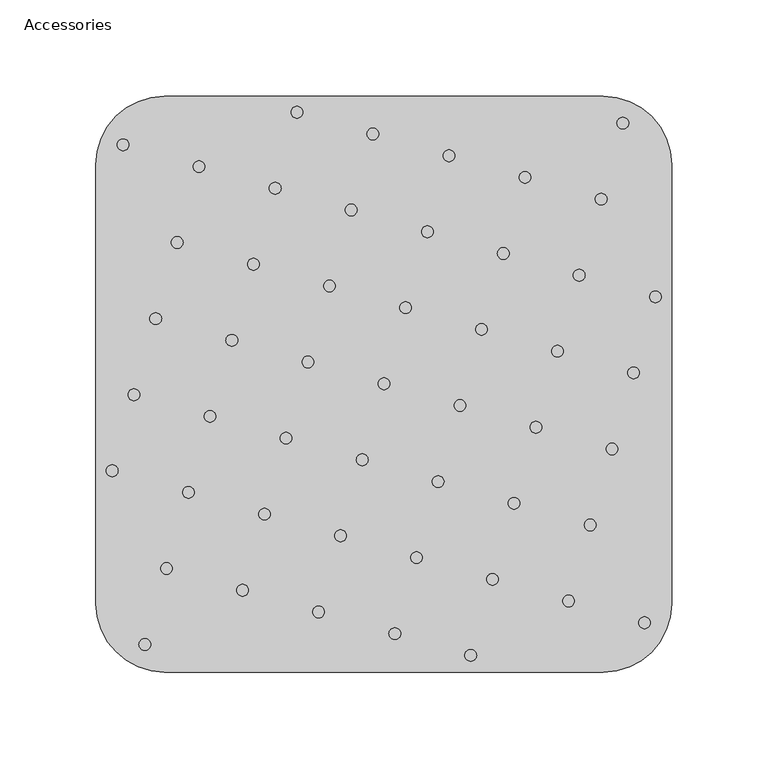
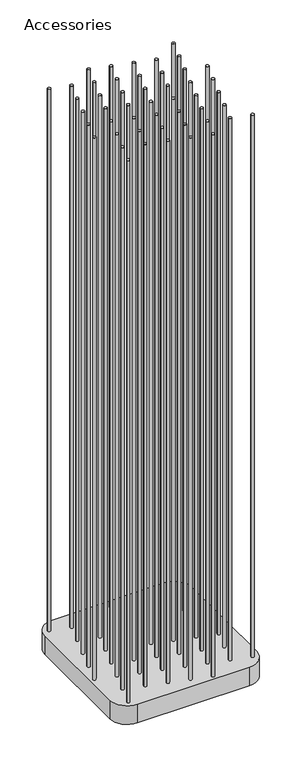
"""IFC4 building model written with IfcOpenShell, lengths in millimetres: furniture geometry, Accessories."""

import ifcopenshell
import ifcopenshell.guid

model = None  # the IFC model being written
_history = None  # IfcOwnerHistory: only IFC2X3 demands one
_inside = {}  # id of a spatial element -> (the spatial element, [elements in it])
_under = {}  # id of a project, library or spatial element -> (it, [spatial elements below it])
_declared = {}  # id of a project -> (the project, [libraries it declares])
_typed = {}  # id of a type object -> (the type object, [elements of that type])
_made_of = {}  # id of a material, layer set ... -> (it, [elements and type objects made of it])


def new_model(schema):
    """Start an empty IFC model of exactly this schema.

    Asked for "IFC4X3", IfcOpenShell would pick the latest addendum, in which some entities
    have other attributes; the version numbers below select the first issue.
    IFC2X3 requires an IfcOwnerHistory on every rooted entity: one is made here for all.
    """
    global model, _history
    if schema == "IFC4X3":
        model = ifcopenshell.file(schema_version=(4, 3, 0, 0))
    else:
        model = ifcopenshell.file(schema=schema)
    _inside.clear()
    _under.clear()
    _declared.clear()
    _typed.clear()
    _made_of.clear()
    _history = None
    if model.schema == "IFC2X3":
        org = make("IfcOrganization", Name="unknown")
        user = make(
            "IfcPersonAndOrganization",
            ThePerson=make("IfcPerson", FamilyName="unknown"),
            TheOrganization=org,
        )
        app = make(
            "IfcApplication",
            ApplicationDeveloper=org,
            Version="unknown",
            ApplicationFullName="unknown",
            ApplicationIdentifier="unknown",
        )
        _history = make(
            "IfcOwnerHistory",
            OwningUser=user,
            OwningApplication=app,
            ChangeAction="ADDED",
            CreationDate=0,
        )
    return model


def make(cls, **values):
    """One entity of the class cls with the attributes given. An attribute that is None is left unset."""
    return model.create_entity(
        cls, **{name: value for name, value in values.items() if value is not None}
    )


def rooted(cls, **values):
    """An entity with a GlobalId (a new one), such as an element, a storey or a relation."""
    return make(cls, GlobalId=ifcopenshell.guid.new(), OwnerHistory=_history, **values)


def si_unit(unit_type, name, prefix=None):
    """IfcSIUnit, for example si_unit("LENGTHUNIT", "METRE", prefix="MILLI")."""
    return make("IfcSIUnit", UnitType=unit_type, Prefix=prefix, Name=name)


def assignment(units):
    """IfcUnitAssignment: the units of a project."""
    return None if units is None else make("IfcUnitAssignment", Units=units)


def point(xyz):
    """IfcCartesianPoint."""
    return None if xyz is None else make("IfcCartesianPoint", Coordinates=xyz)


def direction(xyz):
    """IfcDirection."""
    return None if xyz is None else make("IfcDirection", DirectionRatios=xyz)


def frame(location, z_axis=None, x_axis=None):
    """IfcAxis2Placement3D, a coordinate frame: its origin and axes. An axis left out is left unset."""
    return make(
        "IfcAxis2Placement3D",
        Location=point(location),
        Axis=direction(z_axis),
        RefDirection=direction(x_axis),
    )


def frame_2d(location, x_axis=None):
    """IfcAxis2Placement2D, a coordinate frame in the plane: its origin and x axis."""
    return make(
        "IfcAxis2Placement2D", Location=point(location), RefDirection=direction(x_axis)
    )


def origin():
    """The frame at (0, 0, 0) with its axes left unset."""
    return frame((0.0, 0.0, 0.0))


def place(relative_to, where):
    """IfcLocalPlacement: puts the frame where relative to a parent placement (None: the world)."""
    return make(
        "IfcLocalPlacement", PlacementRelTo=relative_to, RelativePlacement=where
    )


def context(
    kind, dimensions, precision=None, world=None, true_north=None, identifier=None
):
    """IfcGeometricRepresentationContext, for example the 3D "Model" context."""
    return make(
        "IfcGeometricRepresentationContext",
        ContextIdentifier=identifier,
        ContextType=kind,
        CoordinateSpaceDimension=dimensions,
        Precision=precision,
        WorldCoordinateSystem=world,
        TrueNorth=true_north,
    )


def project(units=None, contexts=None):
    """IfcProject with its units and contexts."""
    return rooted(
        "IfcProject",
        Name="project",
        RepresentationContexts=contexts,
        UnitsInContext=assignment(units),
    )


def spatial(cls, under=None, at=None, **own):
    """A site, building, storey or space (cls), placed at a placement, below another one or the project."""
    s = rooted(cls, ObjectPlacement=at, **own)
    if under is not None:
        _under.setdefault(under.id(), (under, []))[1].append(s)
    return s


def polyline(points):
    """IfcPolyline through the points."""
    return make("IfcPolyline", Points=[point(p) for p in points])


def circle_curve(where, radius):
    """IfcCircle in the frame where."""
    return make("IfcCircle", Position=where, Radius=radius)


def ellipse_curve(where, semi_axis1, semi_axis2):
    """IfcEllipse in the frame where."""
    return make(
        "IfcEllipse", Position=where, SemiAxis1=semi_axis1, SemiAxis2=semi_axis2
    )


def trimmed(basis, trim1, trim2, sense, master):
    """IfcTrimmedCurve: the piece of a basis curve between two trims."""
    return make(
        "IfcTrimmedCurve",
        BasisCurve=basis,
        Trim1=trim1,
        Trim2=trim2,
        SenseAgreement=sense,
        MasterRepresentation=master,
    )


def segment(curve, same_sense, transition):
    """IfcCompositeCurveSegment."""
    return make(
        "IfcCompositeCurveSegment",
        Transition=transition,
        SameSense=same_sense,
        ParentCurve=curve,
    )


def composite_curve(segments, self_intersect=None):
    """IfcCompositeCurve: segments joined end to end."""
    return make("IfcCompositeCurve", Segments=segments, SelfIntersect=self_intersect)


def outline(outer, holes=None, kind="AREA"):
    """IfcArbitraryClosedProfileDef: a profile drawn as a closed curve; with holes, ...WithVoids."""
    if holes is None:
        return make("IfcArbitraryClosedProfileDef", ProfileType=kind, OuterCurve=outer)
    return make(
        "IfcArbitraryProfileDefWithVoids",
        ProfileType=kind,
        OuterCurve=outer,
        InnerCurves=holes,
    )


def extrude(swept, where, along, depth):
    """IfcExtrudedAreaSolid: the profile swept, set in the frame where, extruded along a direction by depth."""
    return make(
        "IfcExtrudedAreaSolid",
        SweptArea=swept,
        Position=where,
        ExtrudedDirection=direction(along),
        Depth=depth,
    )


def shape(context_of_items, identifier, shape_type, items):
    """IfcShapeRepresentation: the items that make up one representation, for example the "Body"."""
    return make(
        "IfcShapeRepresentation",
        ContextOfItems=context_of_items,
        RepresentationIdentifier=identifier,
        RepresentationType=shape_type,
        Items=items,
    )


def source(mapping_origin, context_of_items, identifier, shape_type, items):
    """IfcRepresentationMap: a shape defined once, which mapped items show again and again."""
    return make(
        "IfcRepresentationMap",
        MappingOrigin=mapping_origin,
        MappedRepresentation=shape(context_of_items, identifier, shape_type, items),
    )


def transform(
    local_origin,
    x_axis=None,
    y_axis=None,
    z_axis=None,
    scale=None,
    scale2=None,
    scale3=None,
    uniform=True,
):
    """IfcCartesianTransformationOperator3D, or its non-uniform kind. x_axis, y_axis, z_axis: its Axis1, 2, 3."""
    if uniform:
        return make(
            "IfcCartesianTransformationOperator3D",
            Axis1=direction(x_axis),
            Axis2=direction(y_axis),
            LocalOrigin=point(local_origin),
            Scale=scale,
            Axis3=direction(z_axis),
        )
    return make(
        "IfcCartesianTransformationOperator3DnonUniform",
        Axis1=direction(x_axis),
        Axis2=direction(y_axis),
        LocalOrigin=point(local_origin),
        Scale=scale,
        Axis3=direction(z_axis),
        Scale2=scale2,
        Scale3=scale3,
    )


def mapped(mapping_source, mapping_target):
    """IfcMappedItem: shows the shape of a source again, moved by a transform."""
    return make(
        "IfcMappedItem", MappingSource=mapping_source, MappingTarget=mapping_target
    )


def made_of(thing, what):
    """Note that an element or type object is made of a material, layer set ...; save() writes the relation."""
    if what is not None:
        _made_of.setdefault(what.id(), (what, []))[1].append(thing)
    return thing


def element(
    cls,
    number,
    at=None,
    inside=None,
    cuts=None,
    type_object=None,
    material=None,
    context=None,
    identifier="Body",
    shape_type=None,
    held_by="IfcProductDefinitionShape",
    body=None,
    shapes=None,
    **own,
):
    """One element of the class cls, such as IfcWall. Its Tag is "e" and its number.

    at: its placement. inside: the storey or other place that contains it. cuts: it is an
    opening in that element (IfcRelVoidsElement). A single representation is given by context,
    identifier, shape_type and body (its items); several are given by shapes. held_by: the class
    of the entity that holds the representations. save() writes the other relations.
    """
    e = rooted(cls, Tag="e%d" % number, ObjectPlacement=at, **own)
    if body is not None:
        shapes = [shape(context, identifier, shape_type, body)]
    if shapes is not None:
        e.Representation = make(held_by, Representations=shapes)
    if inside is not None:
        _inside.setdefault(inside.id(), (inside, []))[1].append(e)
    if cuts is not None:
        rooted(
            "IfcRelVoidsElement", RelatingBuildingElement=cuts, RelatedOpeningElement=e
        )
    if type_object is not None:
        _typed.setdefault(type_object.id(), (type_object, []))[1].append(e)
    return made_of(e, material)


def aggregate(whole, parts):
    """IfcRelAggregates: a whole, such as a stair, and the parts it consists of."""
    return rooted("IfcRelAggregates", RelatingObject=whole, RelatedObjects=parts)


def save(model, path):
    """Write the relations noted so far, then the file.

    IfcRelAggregates (storeys below a building ...), IfcRelContainedInSpatialStructure (elements
    in a storey), IfcRelDefinesByType, IfcRelAssociatesMaterial and IfcRelDeclares: one each for
    every whole, place, type object, material and project.
    """
    for whole, parts in _under.values():
        aggregate(whole, parts)
    for where, things in _inside.values():
        rooted(
            "IfcRelContainedInSpatialStructure",
            RelatedElements=things,
            RelatingStructure=where,
        )
    for kind, things in _typed.values():
        rooted("IfcRelDefinesByType", RelatedObjects=things, RelatingType=kind)
    for what, things in _made_of.values():
        rooted("IfcRelAssociatesMaterial", RelatedObjects=things, RelatingMaterial=what)
    for by, libraries in _declared.values():
        rooted("IfcRelDeclares", RelatingContext=by, RelatedDefinitions=libraries)
    model.write(path)


def plane_surface(at):
    """IfcPlane: the flat surface through the origin of the frame at, square to its z axis."""
    return make("IfcPlane", Position=at)


def cylinder_surface(at, radius):
    """IfcCylindricalSurface: all points at the distance radius from the z axis of the frame at."""
    return make("IfcCylindricalSurface", Position=at, Radius=radius)


def revolved_surface(curve, axis_point, axis_direction):
    """IfcSurfaceOfRevolution: the curve turned about the line through axis_point along axis_direction."""
    return make(
        "IfcSurfaceOfRevolution",
        SweptCurve=make("IfcArbitraryOpenProfileDef", ProfileType="CURVE", Curve=curve),
        AxisPosition=make("IfcAxis1Placement", Location=point(axis_point), Axis=direction(axis_direction)),
    )


def advanced_brep(points, edges, surfaces, faces):
    """IfcAdvancedBrep: a solid bounded by faces that lie on surfaces and meet in shared edges.

    An edge is (start, end): straight between two places in points (the first is 0);
    or (start, end, curve); or (start, end, curve, False) where it runs against its curve.
    A face is (place in surfaces, loops), or (place, loops, False) where it looks against
    its surface's normal. A loop lists edges by number (the first is 1), with a minus sign
    where the edge is run from its end to its start. The first loop is the outer one.
    """
    corners = [point(p) for p in points]
    vertices = [make("IfcVertexPoint", VertexGeometry=c) for c in corners]
    made = []
    for start, end, *more in edges:
        made.append(
            make(
                "IfcEdgeCurve",
                EdgeStart=vertices[start],
                EdgeEnd=vertices[end],
                EdgeGeometry=more[0] if more else make("IfcPolyline", Points=[corners[start], corners[end]]),
                SameSense=more[1] if len(more) > 1 else True,
            )
        )
    hull = []
    for where, loops, *sense in faces:
        bounds = []
        for j, loop in enumerate(loops):
            ring = [make("IfcOrientedEdge", EdgeElement=made[abs(k) - 1], Orientation=k > 0) for k in loop]
            bounds.append(
                make(
                    "IfcFaceOuterBound" if j == 0 else "IfcFaceBound",
                    Bound=make("IfcEdgeLoop", EdgeList=ring),
                    Orientation=True,
                )
            )
        hull.append(make("IfcAdvancedFace", Bounds=bounds, FaceSurface=surfaces[where], SameSense=sense[0] if sense else True))
    return make("IfcAdvancedBrep", Outer=make("IfcClosedShell", CfsFaces=hull))


def accessories_a6ce047a(model_context):
    return source(origin(), model_context, "Body", "SolidModel", [
        advanced_brep(
        [(-251.0769343, 235.804948, 0.0), (-251.0769343, 240.1060935, 0.0), (-251.0769343, 231.5038025, 0.0), (-251.0769343, 227.0549403, 9.599968), (-251.0769343, 244.5549556, 9.599968), (-251.0769343, 235.804948, 9.599968), (-251.0769343, 227.0549403, 4.4999604), (-251.0769343, 244.5549556, 4.4999604)],
        [
            (0, 1),
            (1, 2, circle_curve(frame((-251.0769343, 235.804948, 0.0), z_axis=(0.0, 0.0, -1.0), x_axis=(0.0, 1.0, 0.0)), 4.3011455)),
            (2, 0),
            (2, 1, circle_curve(frame((-251.0769343, 235.804948, 0.0), z_axis=(0.0, 0.0, -1.0), x_axis=(0.0, 1.0, 0.0)), 4.3011455)),
            (3, 4, circle_curve(frame((-251.0769343, 235.804948, 9.599968), z_axis=(0.0, 0.0, 1.0), x_axis=(0.0, 1.0, 0.0)), 8.7500076)),
            (4, 5),
            (5, 3),
            (4, 3, circle_curve(frame((-251.0769343, 235.804948, 9.599968), z_axis=(0.0, 0.0, 1.0), x_axis=(0.0, 1.0, 0.0)), 8.7500076)),
            (6, 7, circle_curve(frame((-251.0769343, 235.804948, 4.4999604), z_axis=(0.0, 0.0, 1.0), x_axis=(0.0, 1.0, 0.0)), 8.7500076)),
            (7, 4),
            (3, 6),
            (7, 6, circle_curve(frame((-251.0769343, 235.804948, 4.4999604), z_axis=(0.0, 0.0, 1.0), x_axis=(0.0, 1.0, 0.0)), 8.7500076)),
            (1, 7, circle_curve(frame((-251.0769343, 240.0547017, 4.4999604), z_axis=(1.0, 0.0, 0.0), x_axis=(0.0, -1.0, 0.0)), 4.5002539)),
            (6, 2, circle_curve(frame((-251.0769343, 231.5551942, 4.4999604), z_axis=(1.0, 0.0, 0.0), x_axis=(0.0, 1.0, 0.0)), 4.5002539)),
        ],
        [
            plane_surface(frame((-251.0769343, 235.804948, 0.0), z_axis=(0.0, 0.0, -1.0), x_axis=(0.0, 1.0, 0.0))),
            plane_surface(frame((-251.0769343, 235.804948, 9.599968), z_axis=(0.0, 0.0, 1.0), x_axis=(0.0, 1.0, 0.0))),
            cylinder_surface(frame((-251.0769343, 235.804948, -5.7265764), z_axis=(0.0, 0.0, -1.0), x_axis=(0.0, 1.0, 0.0)), 8.7500076),
            revolved_surface(trimmed(ellipse_curve(frame((-251.0769343, 240.0547017, 4.4999604), z_axis=(-1.0, 0.0, 0.0), x_axis=(0.0, -1.0, 0.0)), 4.5002539, 4.5002539), [point((-251.0769343, 244.5549556, 4.4999604))], [point((-251.0769343, 240.1060935, 0.0))], True, "CARTESIAN"), (-251.0769343, 235.804948, -5.7265764), (0.0, 0.0, -1.0)),
        ],
        [
            (0, [[1, 2, 3]]),
            (0, [[-3, 4, -1]]),
            (1, [[5, 6, 7]]),
            (1, [[8, -7, -6]]),
            (2, [[9, 10, -5, 11]]),
            (2, [[12, -11, -8, -10]]),
            (3, [[-2, 13, -9, 14]]),
            (3, [[-4, -14, -12, -13]]),
        ],
    ),
        advanced_brep(
        [(-471.1908823, 231.5038025, 0.0), (-471.1908823, 240.1060935, 0.0), (-471.1908823, 235.804948, 0.0), (-471.1908823, 235.804948, 9.599968), (-471.1908823, 244.5549556, 9.599968), (-471.1908823, 227.0549403, 9.599968), (-471.1908823, 244.5549556, 4.4999604), (-471.1908823, 227.0549403, 4.4999604)],
        [
            (0, 1, circle_curve(frame((-471.1908823, 235.804948, 0.0), z_axis=(0.0, 0.0, -1.0), x_axis=(0.0, 1.0, 0.0)), 4.3011455)),
            (1, 2),
            (2, 0),
            (1, 0, circle_curve(frame((-471.1908823, 235.804948, 0.0), z_axis=(0.0, 0.0, -1.0), x_axis=(0.0, 1.0, 0.0)), 4.3011455)),
            (3, 4),
            (4, 5, circle_curve(frame((-471.1908823, 235.804948, 9.599968), z_axis=(0.0, 0.0, 1.0), x_axis=(0.0, 1.0, 0.0)), 8.7500076)),
            (5, 3),
            (5, 4, circle_curve(frame((-471.1908823, 235.804948, 9.599968), z_axis=(0.0, 0.0, 1.0), x_axis=(0.0, 1.0, 0.0)), 8.7500076)),
            (4, 6),
            (6, 7, circle_curve(frame((-471.1908823, 235.804948, 4.4999604), z_axis=(0.0, 0.0, 1.0), x_axis=(0.0, 1.0, 0.0)), 8.7500076)),
            (7, 5),
            (7, 6, circle_curve(frame((-471.1908823, 235.804948, 4.4999604), z_axis=(0.0, 0.0, 1.0), x_axis=(0.0, 1.0, 0.0)), 8.7500076)),
            (6, 1, circle_curve(frame((-471.1908823, 240.0547017, 4.4999604), z_axis=(-1.0, 0.0, 0.0), x_axis=(0.0, -1.0, 0.0)), 4.5002539)),
            (0, 7, circle_curve(frame((-471.1908823, 231.5551942, 4.4999604), z_axis=(-1.0, 0.0, 0.0), x_axis=(0.0, 1.0, 0.0)), 4.5002539)),
        ],
        [
            plane_surface(frame((-471.1908823, 235.804948, 0.0), z_axis=(0.0, 0.0, -1.0), x_axis=(0.0, 1.0, 0.0))),
            plane_surface(frame((-471.1908823, 235.804948, 9.599968), z_axis=(0.0, 0.0, 1.0), x_axis=(0.0, 1.0, 0.0))),
            cylinder_surface(frame((-471.1908823, 235.804948, -5.7265764), z_axis=(0.0, 0.0, 1.0), x_axis=(0.0, 1.0, 0.0)), 8.7500076),
            revolved_surface(trimmed(ellipse_curve(frame((-471.1908823, 240.0547017, 4.4999604), z_axis=(1.0, 0.0, 0.0), x_axis=(0.0, -1.0, 0.0)), 4.5002539, 4.5002539), [point((-471.1908823, 240.1060935, 0.0))], [point((-471.1908823, 244.5549556, 4.4999604))], True, "CARTESIAN"), (-471.1908823, 235.804948, -5.7265764), (0.0, 0.0, 1.0)),
        ],
        [
            (0, [[1, 2, 3]]),
            (0, [[4, -3, -2]]),
            (1, [[5, 6, 7]]),
            (1, [[-7, 8, -5]]),
            (2, [[-6, 9, 10, 11]]),
            (2, [[-8, -11, 12, -9]]),
            (3, [[-10, 13, -1, 14]]),
            (3, [[-12, -14, -4, -13]]),
        ],
    ),
        advanced_brep(
        [(-251.0769343, 460.0800172, 0.0), (-251.0769343, 451.4777262, 0.0), (-251.0769343, 455.7788717, 0.0), (-251.0769343, 455.7788717, 9.599968), (-251.0769343, 447.028864, 9.599968), (-251.0769343, 464.5288793, 9.599968), (-251.0769343, 447.028864, 4.4999604), (-251.0769343, 464.5288793, 4.4999604)],
        [
            (0, 1, circle_curve(frame((-251.0769343, 455.7788717, 0.0), z_axis=(0.0, 0.0, -1.0), x_axis=(0.0, -1.0, 0.0)), 4.3011455)),
            (1, 2),
            (2, 0),
            (1, 0, circle_curve(frame((-251.0769343, 455.7788717, 0.0), z_axis=(0.0, 0.0, -1.0), x_axis=(0.0, -1.0, 0.0)), 4.3011455)),
            (3, 4),
            (4, 5, circle_curve(frame((-251.0769343, 455.7788717, 9.599968), z_axis=(0.0, 0.0, 1.0), x_axis=(0.0, -1.0, 0.0)), 8.7500076)),
            (5, 3),
            (5, 4, circle_curve(frame((-251.0769343, 455.7788717, 9.599968), z_axis=(0.0, 0.0, 1.0), x_axis=(0.0, -1.0, 0.0)), 8.7500076)),
            (4, 6),
            (6, 7, circle_curve(frame((-251.0769343, 455.7788717, 4.4999604), z_axis=(0.0, 0.0, 1.0), x_axis=(0.0, -1.0, 0.0)), 8.7500076)),
            (7, 5),
            (7, 6, circle_curve(frame((-251.0769343, 455.7788717, 4.4999604), z_axis=(0.0, 0.0, 1.0), x_axis=(0.0, -1.0, 0.0)), 8.7500076)),
            (6, 1, circle_curve(frame((-251.0769343, 451.5291179, 4.4999604), z_axis=(1.0, 0.0, 0.0), x_axis=(0.0, 1.0, 0.0)), 4.5002539)),
            (0, 7, circle_curve(frame((-251.0769343, 460.0286254, 4.4999604), z_axis=(1.0, 0.0, 0.0), x_axis=(0.0, -1.0, 0.0)), 4.5002539)),
        ],
        [
            plane_surface(frame((-251.0769343, 455.7788717, 0.0), z_axis=(0.0, 0.0, -1.0), x_axis=(0.0, -1.0, 0.0))),
            plane_surface(frame((-251.0769343, 455.7788717, 9.599968), z_axis=(0.0, 0.0, 1.0), x_axis=(0.0, -1.0, 0.0))),
            cylinder_surface(frame((-251.0769343, 455.7788717, -5.7265764), z_axis=(0.0, 0.0, 1.0), x_axis=(0.0, -1.0, 0.0)), 8.7500076),
            revolved_surface(trimmed(ellipse_curve(frame((-251.0769343, 451.5291179, 4.4999604), z_axis=(-1.0, 0.0, 0.0), x_axis=(0.0, 1.0, 0.0)), 4.5002539, 4.5002539), [point((-251.0769343, 451.4777262, 0.0))], [point((-251.0769343, 447.028864, 4.4999604))], True, "CARTESIAN"), (-251.0769343, 455.7788717, -5.7265764), (0.0, 0.0, 1.0)),
        ],
        [
            (0, [[1, 2, 3]]),
            (0, [[4, -3, -2]]),
            (1, [[5, 6, 7]]),
            (1, [[-7, 8, -5]]),
            (2, [[-6, 9, 10, 11]]),
            (2, [[-8, -11, 12, -9]]),
            (3, [[-10, 13, -1, 14]]),
            (3, [[-12, -14, -4, -13]]),
        ],
    ),
        advanced_brep(
        [(-471.1908823, 455.7788717, 0.0), (-471.1908823, 451.4777262, 0.0), (-471.1908823, 460.0800172, 0.0), (-471.1908823, 464.5288793, 9.599968), (-471.1908823, 447.028864, 9.599968), (-471.1908823, 455.7788717, 9.599968), (-471.1908823, 464.5288793, 4.4999604), (-471.1908823, 447.028864, 4.4999604)],
        [
            (0, 1),
            (1, 2, circle_curve(frame((-471.1908823, 455.7788717, 0.0), z_axis=(0.0, 0.0, -1.0), x_axis=(0.0, -1.0, 0.0)), 4.3011455)),
            (2, 0),
            (2, 1, circle_curve(frame((-471.1908823, 455.7788717, 0.0), z_axis=(0.0, 0.0, -1.0), x_axis=(0.0, -1.0, 0.0)), 4.3011455)),
            (3, 4, circle_curve(frame((-471.1908823, 455.7788717, 9.599968), z_axis=(0.0, 0.0, 1.0), x_axis=(0.0, -1.0, 0.0)), 8.7500076)),
            (4, 5),
            (5, 3),
            (4, 3, circle_curve(frame((-471.1908823, 455.7788717, 9.599968), z_axis=(0.0, 0.0, 1.0), x_axis=(0.0, -1.0, 0.0)), 8.7500076)),
            (6, 7, circle_curve(frame((-471.1908823, 455.7788717, 4.4999604), z_axis=(0.0, 0.0, 1.0), x_axis=(0.0, -1.0, 0.0)), 8.7500076)),
            (7, 4),
            (3, 6),
            (7, 6, circle_curve(frame((-471.1908823, 455.7788717, 4.4999604), z_axis=(0.0, 0.0, 1.0), x_axis=(0.0, -1.0, 0.0)), 8.7500076)),
            (1, 7, circle_curve(frame((-471.1908823, 451.5291179, 4.4999604), z_axis=(-1.0, 0.0, 0.0), x_axis=(0.0, 1.0, 0.0)), 4.5002539)),
            (6, 2, circle_curve(frame((-471.1908823, 460.0286254, 4.4999604), z_axis=(-1.0, 0.0, 0.0), x_axis=(0.0, -1.0, 0.0)), 4.5002539)),
        ],
        [
            plane_surface(frame((-471.1908823, 455.7788717, 0.0), z_axis=(0.0, 0.0, -1.0), x_axis=(0.0, -1.0, 0.0))),
            plane_surface(frame((-471.1908823, 455.7788717, 9.599968), z_axis=(0.0, 0.0, 1.0), x_axis=(0.0, -1.0, 0.0))),
            cylinder_surface(frame((-471.1908823, 455.7788717, -5.7265764), z_axis=(0.0, 0.0, -1.0), x_axis=(0.0, -1.0, 0.0)), 8.7500076),
            revolved_surface(trimmed(ellipse_curve(frame((-471.1908823, 451.5291179, 4.4999604), z_axis=(1.0, 0.0, 0.0), x_axis=(0.0, 1.0, 0.0)), 4.5002539, 4.5002539), [point((-471.1908823, 447.028864, 4.4999604))], [point((-471.1908823, 451.4777262, 0.0))], True, "CARTESIAN"), (-471.1908823, 455.7788717, -5.7265764), (0.0, 0.0, -1.0)),
        ],
        [
            (0, [[1, 2, 3]]),
            (0, [[-3, 4, -1]]),
            (1, [[5, 6, 7]]),
            (1, [[8, -7, -6]]),
            (2, [[9, 10, -5, 11]]),
            (2, [[12, -11, -8, -10]]),
            (3, [[-2, 13, -9, 14]]),
            (3, [[-4, -14, -12, -13]]),
        ],
    ),
        extrude(outline(composite_curve([segment(trimmed(circle_curve(frame_2d((-406.4169071, 487.2878532)), 3.049989), [point((-409.4668961, 487.2878532))], [point((-403.3669181, 487.2878532))], False, "CARTESIAN"), True, "CONTINUOUS"), segment(trimmed(circle_curve(frame_2d((-406.4169071, 487.2878532)), 3.049989), [point((-403.3669181, 487.2878532))], [point((-409.4668961, 487.2878532))], False, "CARTESIAN"), True, "CONTINUOUS")], self_intersect=False)), frame((0.0, 0.0, 49.5999832), z_axis=(0.0, 0.0, 1.0), x_axis=(1.0, 0.0, 0.0)), (0.0, 0.0, 1.0), 1170.0004807),
        extrude(outline(composite_curve([segment(trimmed(circle_curve(frame_2d((-366.8609626, 475.9453686)), 3.049989), [point((-369.9109516, 475.9453686))], [point((-363.8109736, 475.9453686))], False, "CARTESIAN"), True, "CONTINUOUS"), segment(trimmed(circle_curve(frame_2d((-366.8609626, 475.9453686)), 3.049989), [point((-363.8109736, 475.9453686))], [point((-369.9109516, 475.9453686))], False, "CARTESIAN"), True, "CONTINUOUS")], self_intersect=False)), frame((0.0, 0.0, 49.5999832), z_axis=(0.0, 0.0, 1.0), x_axis=(1.0, 0.0, 0.0)), (0.0, 0.0, 1.0), 1170.0004807),
        extrude(outline(composite_curve([segment(trimmed(circle_curve(frame_2d((-327.1716433, 464.646386)), 3.049989), [point((-330.2216323, 464.646386))], [point((-324.1216542, 464.646386))], False, "CARTESIAN"), True, "CONTINUOUS"), segment(trimmed(circle_curve(frame_2d((-327.1716433, 464.646386)), 3.049989), [point((-324.1216542, 464.646386))], [point((-330.2216323, 464.646386))], False, "CARTESIAN"), True, "CONTINUOUS")], self_intersect=False)), frame((0.0, 0.0, 49.5999832), z_axis=(0.0, 0.0, 1.0), x_axis=(1.0, 0.0, 0.0)), (0.0, 0.0, 1.0), 1170.0004807),
        extrude(outline(composite_curve([segment(trimmed(circle_curve(frame_2d((-236.6056032, 481.6275261)), 3.049989), [point((-239.6555922, 481.6275261))], [point((-233.5556142, 481.6275261))], False, "CARTESIAN"), True, "CONTINUOUS"), segment(trimmed(circle_curve(frame_2d((-236.6056032, 481.6275261)), 3.049989), [point((-233.5556142, 481.6275261))], [point((-239.6555922, 481.6275261))], False, "CARTESIAN"), True, "CONTINUOUS")], self_intersect=False)), frame((0.0, 0.0, 49.5999832), z_axis=(0.0, 0.0, 1.0), x_axis=(1.0, 0.0, 0.0)), (0.0, 0.0, 1.0), 1170.0004807),
        extrude(outline(composite_curve([segment(trimmed(circle_curve(frame_2d((-287.5490177, 453.325634)), 3.049989), [point((-290.5990067, 453.325634))], [point((-284.4990287, 453.325634))], False, "CARTESIAN"), True, "CONTINUOUS"), segment(trimmed(circle_curve(frame_2d((-287.5490177, 453.325634)), 3.049989), [point((-284.4990287, 453.325634))], [point((-290.5990067, 453.325634))], False, "CARTESIAN"), True, "CONTINUOUS")], self_intersect=False)), frame((0.0, 0.0, 49.5999832), z_axis=(0.0, 0.0, 1.0), x_axis=(1.0, 0.0, 0.0)), (0.0, 0.0, 1.0), 1170.0004807),
        extrude(outline(composite_curve([segment(trimmed(circle_curve(frame_2d((-247.8596983, 442.0266513)), 3.049989), [point((-250.9096874, 442.0266513))], [point((-244.8097093, 442.0266513))], False, "CARTESIAN"), True, "CONTINUOUS"), segment(trimmed(circle_curve(frame_2d((-247.8596983, 442.0266513)), 3.049989), [point((-244.8097093, 442.0266513))], [point((-250.9096874, 442.0266513))], False, "CARTESIAN"), True, "CONTINUOUS")], self_intersect=False)), frame((0.0, 0.0, 49.5999832), z_axis=(0.0, 0.0, 1.0), x_axis=(1.0, 0.0, 0.0)), (0.0, 0.0, 1.0), 1170.0004807),
        extrude(outline(composite_curve([segment(trimmed(circle_curve(frame_2d((-496.9828767, 470.3066945)), 3.049989), [point((-500.0328657, 470.3066945))], [point((-493.9328876, 470.3066945))], False, "CARTESIAN"), True, "CONTINUOUS"), segment(trimmed(circle_curve(frame_2d((-496.9828767, 470.3066945)), 3.049989), [point((-493.9328876, 470.3066945))], [point((-500.0328657, 470.3066945))], False, "CARTESIAN"), True, "CONTINUOUS")], self_intersect=False)), frame((0.0, 0.0, 49.5999832), z_axis=(0.0, 0.0, 1.0), x_axis=(1.0, 0.0, 0.0)), (0.0, 0.0, 1.0), 1170.0004807),
        extrude(outline(composite_curve([segment(trimmed(circle_curve(frame_2d((-457.4269322, 458.96421)), 3.049989), [point((-460.4769212, 458.96421))], [point((-454.3769432, 458.96421))], False, "CARTESIAN"), True, "CONTINUOUS"), segment(trimmed(circle_curve(frame_2d((-457.4269322, 458.96421)), 3.049989), [point((-454.3769432, 458.96421))], [point((-460.4769212, 458.96421))], False, "CARTESIAN"), True, "CONTINUOUS")], self_intersect=False)), frame((0.0, 0.0, 49.5999832), z_axis=(0.0, 0.0, 1.0), x_axis=(1.0, 0.0, 0.0)), (0.0, 0.0, 1.0), 1170.0004807),
        extrude(outline(composite_curve([segment(trimmed(circle_curve(frame_2d((-417.7376128, 447.6652273)), 3.049989), [point((-420.7876019, 447.6652273))], [point((-414.6876238, 447.6652273))], False, "CARTESIAN"), True, "CONTINUOUS"), segment(trimmed(circle_curve(frame_2d((-417.7376128, 447.6652273)), 3.049989), [point((-414.6876238, 447.6652273))], [point((-420.7876019, 447.6652273))], False, "CARTESIAN"), True, "CONTINUOUS")], self_intersect=False)), frame((0.0, 0.0, 49.5999832), z_axis=(0.0, 0.0, 1.0), x_axis=(1.0, 0.0, 0.0)), (0.0, 0.0, 1.0), 1170.0004807),
        extrude(outline(composite_curve([segment(trimmed(circle_curve(frame_2d((-378.1149873, 436.3444753)), 3.049989), [point((-381.1649763, 436.3444753))], [point((-375.0649982, 436.3444753))], False, "CARTESIAN"), True, "CONTINUOUS"), segment(trimmed(circle_curve(frame_2d((-378.1149873, 436.3444753)), 3.049989), [point((-375.0649982, 436.3444753))], [point((-381.1649763, 436.3444753))], False, "CARTESIAN"), True, "CONTINUOUS")], self_intersect=False)), frame((0.0, 0.0, 49.5999832), z_axis=(0.0, 0.0, 1.0), x_axis=(1.0, 0.0, 0.0)), (0.0, 0.0, 1.0), 1170.0004807),
        extrude(outline(composite_curve([segment(trimmed(circle_curve(frame_2d((-338.4256679, 425.0454927)), 3.049989), [point((-341.4756569, 425.0454927))], [point((-335.3756789, 425.0454927))], False, "CARTESIAN"), True, "CONTINUOUS"), segment(trimmed(circle_curve(frame_2d((-338.4256679, 425.0454927)), 3.049989), [point((-335.3756789, 425.0454927))], [point((-341.4756569, 425.0454927))], False, "CARTESIAN"), True, "CONTINUOUS")], self_intersect=False)), frame((0.0, 0.0, 49.5999832), z_axis=(0.0, 0.0, 1.0), x_axis=(1.0, 0.0, 0.0)), (0.0, 0.0, 1.0), 1170.0004807),
        extrude(outline(composite_curve([segment(trimmed(circle_curve(frame_2d((-298.8696411, 413.7029648)), 3.049989), [point((-301.9196301, 413.7029648))], [point((-295.819652, 413.7029648))], False, "CARTESIAN"), True, "CONTINUOUS"), segment(trimmed(circle_curve(frame_2d((-298.8696411, 413.7029648)), 3.049989), [point((-295.819652, 413.7029648))], [point((-301.9196301, 413.7029648))], False, "CARTESIAN"), True, "CONTINUOUS")], self_intersect=False)), frame((0.0, 0.0, 49.5999832), z_axis=(0.0, 0.0, 1.0), x_axis=(1.0, 0.0, 0.0)), (0.0, 0.0, 1.0), 1170.0004807),
        extrude(outline(composite_curve([segment(trimmed(circle_curve(frame_2d((-259.3136966, 402.3604803)), 3.049989), [point((-262.3636856, 402.3604803))], [point((-256.2637075, 402.3604803))], False, "CARTESIAN"), True, "CONTINUOUS"), segment(trimmed(circle_curve(frame_2d((-259.3136966, 402.3604803)), 3.049989), [point((-256.2637075, 402.3604803))], [point((-262.3636856, 402.3604803))], False, "CARTESIAN"), True, "CONTINUOUS")], self_intersect=False)), frame((0.0, 0.0, 49.5999832), z_axis=(0.0, 0.0, 1.0), x_axis=(1.0, 0.0, 0.0)), (0.0, 0.0, 1.0), 1170.0004807),
        extrude(outline(composite_curve([segment(trimmed(circle_curve(frame_2d((-219.6243772, 391.0614976)), 3.049989), [point((-222.6743662, 391.0614976))], [point((-216.5743882, 391.0614976))], False, "CARTESIAN"), True, "CONTINUOUS"), segment(trimmed(circle_curve(frame_2d((-219.6243772, 391.0614976)), 3.049989), [point((-216.5743882, 391.0614976))], [point((-222.6743662, 391.0614976))], False, "CARTESIAN"), True, "CONTINUOUS")], self_intersect=False)), frame((0.0, 0.0, 49.5999832), z_axis=(0.0, 0.0, 1.0), x_axis=(1.0, 0.0, 0.0)), (0.0, 0.0, 1.0), 1170.0004807),
        extrude(outline(composite_curve([segment(trimmed(circle_curve(frame_2d((-468.7736783, 419.3934036)), 3.049989), [point((-471.8236674, 419.3934036))], [point((-465.7236893, 419.3934036))], False, "CARTESIAN"), True, "CONTINUOUS"), segment(trimmed(circle_curve(frame_2d((-468.7736783, 419.3934036)), 3.049989), [point((-465.7236893, 419.3934036))], [point((-471.8236674, 419.3934036))], False, "CARTESIAN"), True, "CONTINUOUS")], self_intersect=False)), frame((0.0, 0.0, 49.5999832), z_axis=(0.0, 0.0, 1.0), x_axis=(1.0, 0.0, 0.0)), (0.0, 0.0, 1.0), 1170.0004807),
        extrude(outline(composite_curve([segment(trimmed(circle_curve(frame_2d((-429.084359, 408.094421)), 3.049989), [point((-432.134348, 408.094421))], [point((-426.0343699, 408.094421))], False, "CARTESIAN"), True, "CONTINUOUS"), segment(trimmed(circle_curve(frame_2d((-429.084359, 408.094421)), 3.049989), [point((-426.0343699, 408.094421))], [point((-432.134348, 408.094421))], False, "CARTESIAN"), True, "CONTINUOUS")], self_intersect=False)), frame((0.0, 0.0, 49.5999832), z_axis=(0.0, 0.0, 1.0), x_axis=(1.0, 0.0, 0.0)), (0.0, 0.0, 1.0), 1170.0004807),
        extrude(outline(composite_curve([segment(trimmed(circle_curve(frame_2d((-389.4617334, 396.7736689)), 3.049989), [point((-392.5117225, 396.7736689))], [point((-386.4117444, 396.7736689))], False, "CARTESIAN"), True, "CONTINUOUS"), segment(trimmed(circle_curve(frame_2d((-389.4617334, 396.7736689)), 3.049989), [point((-386.4117444, 396.7736689))], [point((-392.5117225, 396.7736689))], False, "CARTESIAN"), True, "CONTINUOUS")], self_intersect=False)), frame((0.0, 0.0, 49.5999832), z_axis=(0.0, 0.0, 1.0), x_axis=(1.0, 0.0, 0.0)), (0.0, 0.0, 1.0), 1170.0004807),
        extrude(outline(composite_curve([segment(trimmed(circle_curve(frame_2d((-349.7724141, 385.4746863)), 3.049989), [point((-352.8224031, 385.4746863))], [point((-346.722425, 385.4746863))], False, "CARTESIAN"), True, "CONTINUOUS"), segment(trimmed(circle_curve(frame_2d((-349.7724141, 385.4746863)), 3.049989), [point((-346.722425, 385.4746863))], [point((-352.8224031, 385.4746863))], False, "CARTESIAN"), True, "CONTINUOUS")], self_intersect=False)), frame((0.0, 0.0, 49.5999832), z_axis=(0.0, 0.0, 1.0), x_axis=(1.0, 0.0, 0.0)), (0.0, 0.0, 1.0), 1170.0004807),
        extrude(outline(composite_curve([segment(trimmed(circle_curve(frame_2d((-310.2163872, 374.1321585)), 3.049989), [point((-313.2663762, 374.1321585))], [point((-307.1663982, 374.1321585))], False, "CARTESIAN"), True, "CONTINUOUS"), segment(trimmed(circle_curve(frame_2d((-310.2163872, 374.1321585)), 3.049989), [point((-307.1663982, 374.1321585))], [point((-313.2663762, 374.1321585))], False, "CARTESIAN"), True, "CONTINUOUS")], self_intersect=False)), frame((0.0, 0.0, 49.5999832), z_axis=(0.0, 0.0, 1.0), x_axis=(1.0, 0.0, 0.0)), (0.0, 0.0, 1.0), 1170.0004807),
        extrude(outline(composite_curve([segment(trimmed(circle_curve(frame_2d((-270.6604427, 362.7896739)), 3.049989), [point((-273.7104317, 362.7896739))], [point((-267.6104537, 362.7896739))], False, "CARTESIAN"), True, "CONTINUOUS"), segment(trimmed(circle_curve(frame_2d((-270.6604427, 362.7896739)), 3.049989), [point((-267.6104537, 362.7896739))], [point((-273.7104317, 362.7896739))], False, "CARTESIAN"), True, "CONTINUOUS")], self_intersect=False)), frame((0.0, 0.0, 49.5999832), z_axis=(0.0, 0.0, 1.0), x_axis=(1.0, 0.0, 0.0)), (0.0, 0.0, 1.0), 1170.0004807),
        extrude(outline(composite_curve([segment(trimmed(circle_curve(frame_2d((-230.9711233, 351.4906913)), 3.049989), [point((-234.0211124, 351.4906913))], [point((-227.9211343, 351.4906913))], False, "CARTESIAN"), True, "CONTINUOUS"), segment(trimmed(circle_curve(frame_2d((-230.9711233, 351.4906913)), 3.049989), [point((-227.9211343, 351.4906913))], [point((-234.0211124, 351.4906913))], False, "CARTESIAN"), True, "CONTINUOUS")], self_intersect=False)), frame((0.0, 0.0, 49.5999832), z_axis=(0.0, 0.0, 1.0), x_axis=(1.0, 0.0, 0.0)), (0.0, 0.0, 1.0), 1170.0004807),
        extrude(outline(composite_curve([segment(trimmed(circle_curve(frame_2d((-480.0017214, 379.7406395)), 3.049989), [point((-483.0517104, 379.7406395))], [point((-476.9517323, 379.7406395))], False, "CARTESIAN"), True, "CONTINUOUS"), segment(trimmed(circle_curve(frame_2d((-480.0017214, 379.7406395)), 3.049989), [point((-476.9517323, 379.7406395))], [point((-483.0517104, 379.7406395))], False, "CARTESIAN"), True, "CONTINUOUS")], self_intersect=False)), frame((0.0, 0.0, 49.5999832), z_axis=(0.0, 0.0, 1.0), x_axis=(1.0, 0.0, 0.0)), (0.0, 0.0, 1.0), 1170.0004807),
        extrude(outline(composite_curve([segment(trimmed(circle_curve(frame_2d((-440.312402, 368.4416569)), 3.049989), [point((-443.3623911, 368.4416569))], [point((-437.262413, 368.4416569))], False, "CARTESIAN"), True, "CONTINUOUS"), segment(trimmed(circle_curve(frame_2d((-440.312402, 368.4416569)), 3.049989), [point((-437.262413, 368.4416569))], [point((-443.3623911, 368.4416569))], False, "CARTESIAN"), True, "CONTINUOUS")], self_intersect=False)), frame((0.0, 0.0, 49.5999832), z_axis=(0.0, 0.0, 1.0), x_axis=(1.0, 0.0, 0.0)), (0.0, 0.0, 1.0), 1170.0004807),
        extrude(outline(composite_curve([segment(trimmed(circle_curve(frame_2d((-400.6897765, 357.1209049)), 3.049989), [point((-403.7397655, 357.1209049))], [point((-397.6397874, 357.1209049))], False, "CARTESIAN"), True, "CONTINUOUS"), segment(trimmed(circle_curve(frame_2d((-400.6897765, 357.1209049)), 3.049989), [point((-397.6397874, 357.1209049))], [point((-403.7397655, 357.1209049))], False, "CARTESIAN"), True, "CONTINUOUS")], self_intersect=False)), frame((0.0, 0.0, 49.5999832), z_axis=(0.0, 0.0, 1.0), x_axis=(1.0, 0.0, 0.0)), (0.0, 0.0, 1.0), 1170.0004807),
        extrude(outline(composite_curve([segment(trimmed(circle_curve(frame_2d((-361.0004571, 345.8219222)), 3.049989), [point((-364.0504461, 345.8219222))], [point((-357.9504681, 345.8219222))], False, "CARTESIAN"), True, "CONTINUOUS"), segment(trimmed(circle_curve(frame_2d((-361.0004571, 345.8219222)), 3.049989), [point((-357.9504681, 345.8219222))], [point((-364.0504461, 345.8219222))], False, "CARTESIAN"), True, "CONTINUOUS")], self_intersect=False)), frame((0.0, 0.0, 49.5999832), z_axis=(0.0, 0.0, 1.0), x_axis=(1.0, 0.0, 0.0)), (0.0, 0.0, 1.0), 1170.0004807),
        extrude(outline(composite_curve([segment(trimmed(circle_curve(frame_2d((-321.4444303, 334.4793944)), 3.049989), [point((-324.4944193, 334.4793944))], [point((-318.3944412, 334.4793944))], False, "CARTESIAN"), True, "CONTINUOUS"), segment(trimmed(circle_curve(frame_2d((-321.4444303, 334.4793944)), 3.049989), [point((-318.3944412, 334.4793944))], [point((-324.4944193, 334.4793944))], False, "CARTESIAN"), True, "CONTINUOUS")], self_intersect=False)), frame((0.0, 0.0, 49.5999832), z_axis=(0.0, 0.0, 1.0), x_axis=(1.0, 0.0, 0.0)), (0.0, 0.0, 1.0), 1170.0004807),
        extrude(outline(composite_curve([segment(trimmed(circle_curve(frame_2d((-281.8884858, 323.1369098)), 3.049989), [point((-284.9384748, 323.1369098))], [point((-278.8384967, 323.1369098))], False, "CARTESIAN"), True, "CONTINUOUS"), segment(trimmed(circle_curve(frame_2d((-281.8884858, 323.1369098)), 3.049989), [point((-278.8384967, 323.1369098))], [point((-284.9384748, 323.1369098))], False, "CARTESIAN"), True, "CONTINUOUS")], self_intersect=False)), frame((0.0, 0.0, 49.5999832), z_axis=(0.0, 0.0, 1.0), x_axis=(1.0, 0.0, 0.0)), (0.0, 0.0, 1.0), 1170.0004807),
        extrude(outline(composite_curve([segment(trimmed(circle_curve(frame_2d((-242.1991664, 311.8379272)), 3.049989), [point((-245.2491554, 311.8379272))], [point((-239.1491774, 311.8379272))], False, "CARTESIAN"), True, "CONTINUOUS"), segment(trimmed(circle_curve(frame_2d((-242.1991664, 311.8379272)), 3.049989), [point((-239.1491774, 311.8379272))], [point((-245.2491554, 311.8379272))], False, "CARTESIAN"), True, "CONTINUOUS")], self_intersect=False)), frame((0.0, 0.0, 49.5999832), z_axis=(0.0, 0.0, 1.0), x_axis=(1.0, 0.0, 0.0)), (0.0, 0.0, 1.0), 1170.0004807),
        extrude(outline(composite_curve([segment(trimmed(circle_curve(frame_2d((-491.3675281, 340.1033611)), 3.049989), [point((-494.4175171, 340.1033611))], [point((-488.317539, 340.1033611))], False, "CARTESIAN"), True, "CONTINUOUS"), segment(trimmed(circle_curve(frame_2d((-491.3675281, 340.1033611)), 3.049989), [point((-488.317539, 340.1033611))], [point((-494.4175171, 340.1033611))], False, "CARTESIAN"), True, "CONTINUOUS")], self_intersect=False)), frame((0.0, 0.0, 49.5999832), z_axis=(0.0, 0.0, 1.0), x_axis=(1.0, 0.0, 0.0)), (0.0, 0.0, 1.0), 1170.0004807),
        extrude(outline(composite_curve([segment(trimmed(circle_curve(frame_2d((-451.6782087, 328.8043785)), 3.049989), [point((-454.7281977, 328.8043785))], [point((-448.6282197, 328.8043785))], False, "CARTESIAN"), True, "CONTINUOUS"), segment(trimmed(circle_curve(frame_2d((-451.6782087, 328.8043785)), 3.049989), [point((-448.6282197, 328.8043785))], [point((-454.7281977, 328.8043785))], False, "CARTESIAN"), True, "CONTINUOUS")], self_intersect=False)), frame((0.0, 0.0, 49.5999832), z_axis=(0.0, 0.0, 1.0), x_axis=(1.0, 0.0, 0.0)), (0.0, 0.0, 1.0), 1170.0004807),
        extrude(outline(composite_curve([segment(trimmed(circle_curve(frame_2d((-412.0555832, 317.4836264)), 3.049989), [point((-415.1055722, 317.4836264))], [point((-409.0055941, 317.4836264))], False, "CARTESIAN"), True, "CONTINUOUS"), segment(trimmed(circle_curve(frame_2d((-412.0555832, 317.4836264)), 3.049989), [point((-409.0055941, 317.4836264))], [point((-415.1055722, 317.4836264))], False, "CARTESIAN"), True, "CONTINUOUS")], self_intersect=False)), frame((0.0, 0.0, 49.5999832), z_axis=(0.0, 0.0, 1.0), x_axis=(1.0, 0.0, 0.0)), (0.0, 0.0, 1.0), 1170.0004807),
        extrude(outline(composite_curve([segment(trimmed(circle_curve(frame_2d((-372.3662638, 306.1846438)), 3.049989), [point((-375.4162528, 306.1846438))], [point((-369.3162748, 306.1846438))], False, "CARTESIAN"), True, "CONTINUOUS"), segment(trimmed(circle_curve(frame_2d((-372.3662638, 306.1846438)), 3.049989), [point((-369.3162748, 306.1846438))], [point((-375.4162528, 306.1846438))], False, "CARTESIAN"), True, "CONTINUOUS")], self_intersect=False)), frame((0.0, 0.0, 49.5999832), z_axis=(0.0, 0.0, 1.0), x_axis=(1.0, 0.0, 0.0)), (0.0, 0.0, 1.0), 1170.0004807),
        extrude(outline(composite_curve([segment(trimmed(circle_curve(frame_2d((-332.8102369, 294.842116)), 3.049989), [point((-335.860226, 294.842116))], [point((-329.7602479, 294.842116))], False, "CARTESIAN"), True, "CONTINUOUS"), segment(trimmed(circle_curve(frame_2d((-332.8102369, 294.842116)), 3.049989), [point((-329.7602479, 294.842116))], [point((-335.860226, 294.842116))], False, "CARTESIAN"), True, "CONTINUOUS")], self_intersect=False)), frame((0.0, 0.0, 49.5999832), z_axis=(0.0, 0.0, 1.0), x_axis=(1.0, 0.0, 0.0)), (0.0, 0.0, 1.0), 1170.0004807),
        extrude(outline(composite_curve([segment(trimmed(circle_curve(frame_2d((-293.2542925, 283.4996314)), 3.049989), [point((-296.3042815, 283.4996314))], [point((-290.2043034, 283.4996314))], False, "CARTESIAN"), True, "CONTINUOUS"), segment(trimmed(circle_curve(frame_2d((-293.2542925, 283.4996314)), 3.049989), [point((-290.2043034, 283.4996314))], [point((-296.3042815, 283.4996314))], False, "CARTESIAN"), True, "CONTINUOUS")], self_intersect=False)), frame((0.0, 0.0, 49.5999832), z_axis=(0.0, 0.0, 1.0), x_axis=(1.0, 0.0, 0.0)), (0.0, 0.0, 1.0), 1170.0004807),
        extrude(outline(composite_curve([segment(trimmed(circle_curve(frame_2d((-253.5649731, 272.2006488)), 3.049989), [point((-256.6149621, 272.2006488))], [point((-250.5149841, 272.2006488))], False, "CARTESIAN"), True, "CONTINUOUS"), segment(trimmed(circle_curve(frame_2d((-253.5649731, 272.2006488)), 3.049989), [point((-250.5149841, 272.2006488))], [point((-256.6149621, 272.2006488))], False, "CARTESIAN"), True, "CONTINUOUS")], self_intersect=False)), frame((0.0, 0.0, 49.5999832), z_axis=(0.0, 0.0, 1.0), x_axis=(1.0, 0.0, 0.0)), (0.0, 0.0, 1.0), 1170.0004807),
        extrude(outline(composite_curve([segment(trimmed(circle_curve(frame_2d((-502.6432312, 300.495354)), 3.049989), [point((-505.6932203, 300.495354))], [point((-499.5932422, 300.495354))], False, "CARTESIAN"), True, "CONTINUOUS"), segment(trimmed(circle_curve(frame_2d((-502.6432312, 300.495354)), 3.049989), [point((-499.5932422, 300.495354))], [point((-505.6932203, 300.495354))], False, "CARTESIAN"), True, "CONTINUOUS")], self_intersect=False)), frame((0.0, 0.0, 49.5999832), z_axis=(0.0, 0.0, 1.0), x_axis=(1.0, 0.0, 0.0)), (0.0, 0.0, 1.0), 1170.0004807),
        extrude(outline(composite_curve([segment(trimmed(circle_curve(frame_2d((-462.9539119, 289.1963713)), 3.049989), [point((-466.0039009, 289.1963713))], [point((-459.9039228, 289.1963713))], False, "CARTESIAN"), True, "CONTINUOUS"), segment(trimmed(circle_curve(frame_2d((-462.9539119, 289.1963713)), 3.049989), [point((-459.9039228, 289.1963713))], [point((-466.0039009, 289.1963713))], False, "CARTESIAN"), True, "CONTINUOUS")], self_intersect=False)), frame((0.0, 0.0, 49.5999832), z_axis=(0.0, 0.0, 1.0), x_axis=(1.0, 0.0, 0.0)), (0.0, 0.0, 1.0), 1170.0004807),
        extrude(outline(composite_curve([segment(trimmed(circle_curve(frame_2d((-423.3312863, 277.8756193)), 3.049989), [point((-426.3812753, 277.8756193))], [point((-420.2812973, 277.8756193))], False, "CARTESIAN"), True, "CONTINUOUS"), segment(trimmed(circle_curve(frame_2d((-423.3312863, 277.8756193)), 3.049989), [point((-420.2812973, 277.8756193))], [point((-426.3812753, 277.8756193))], False, "CARTESIAN"), True, "CONTINUOUS")], self_intersect=False)), frame((0.0, 0.0, 49.5999832), z_axis=(0.0, 0.0, 1.0), x_axis=(1.0, 0.0, 0.0)), (0.0, 0.0, 1.0), 1170.0004807),
        extrude(outline(composite_curve([segment(trimmed(circle_curve(frame_2d((-383.6419669, 266.5766367)), 3.049989), [point((-386.691956, 266.5766367))], [point((-380.5919779, 266.5766367))], False, "CARTESIAN"), True, "CONTINUOUS"), segment(trimmed(circle_curve(frame_2d((-383.6419669, 266.5766367)), 3.049989), [point((-380.5919779, 266.5766367))], [point((-386.691956, 266.5766367))], False, "CARTESIAN"), True, "CONTINUOUS")], self_intersect=False)), frame((0.0, 0.0, 49.5999832), z_axis=(0.0, 0.0, 1.0), x_axis=(1.0, 0.0, 0.0)), (0.0, 0.0, 1.0), 1170.0004807),
        extrude(outline(composite_curve([segment(trimmed(circle_curve(frame_2d((-344.0859401, 255.2341089)), 3.049989), [point((-347.1359291, 255.2341089))], [point((-341.0359511, 255.2341089))], False, "CARTESIAN"), True, "CONTINUOUS"), segment(trimmed(circle_curve(frame_2d((-344.0859401, 255.2341089)), 3.049989), [point((-341.0359511, 255.2341089))], [point((-347.1359291, 255.2341089))], False, "CARTESIAN"), True, "CONTINUOUS")], self_intersect=False)), frame((0.0, 0.0, 49.5999832), z_axis=(0.0, 0.0, 1.0), x_axis=(1.0, 0.0, 0.0)), (0.0, 0.0, 1.0), 1170.0004807),
        extrude(outline(composite_curve([segment(trimmed(circle_curve(frame_2d((-304.5299956, 243.8916243)), 3.049989), [point((-307.5799846, 243.8916243))], [point((-301.4800066, 243.8916243))], False, "CARTESIAN"), True, "CONTINUOUS"), segment(trimmed(circle_curve(frame_2d((-304.5299956, 243.8916243)), 3.049989), [point((-301.4800066, 243.8916243))], [point((-307.5799846, 243.8916243))], False, "CARTESIAN"), True, "CONTINUOUS")], self_intersect=False)), frame((0.0, 0.0, 49.5999832), z_axis=(0.0, 0.0, 1.0), x_axis=(1.0, 0.0, 0.0)), (0.0, 0.0, 1.0), 1170.0004807),
        extrude(outline(composite_curve([segment(trimmed(circle_curve(frame_2d((-264.8406762, 232.5926416)), 3.049989), [point((-267.8906653, 232.5926416))], [point((-261.7906872, 232.5926416))], False, "CARTESIAN"), True, "CONTINUOUS"), segment(trimmed(circle_curve(frame_2d((-264.8406762, 232.5926416)), 3.049989), [point((-261.7906872, 232.5926416))], [point((-267.8906653, 232.5926416))], False, "CARTESIAN"), True, "CONTINUOUS")], self_intersect=False)), frame((0.0, 0.0, 49.5999832), z_axis=(0.0, 0.0, 1.0), x_axis=(1.0, 0.0, 0.0)), (0.0, 0.0, 1.0), 1170.0004807),
        extrude(outline(composite_curve([segment(trimmed(circle_curve(frame_2d((-474.3951679, 249.5344987)), 3.049989), [point((-477.4451569, 249.5344987))], [point((-471.3451789, 249.5344987))], False, "CARTESIAN"), True, "CONTINUOUS"), segment(trimmed(circle_curve(frame_2d((-474.3951679, 249.5344987)), 3.049989), [point((-471.3451789, 249.5344987))], [point((-477.4451569, 249.5344987))], False, "CARTESIAN"), True, "CONTINUOUS")], self_intersect=False)), frame((0.0, 0.0, 49.5999832), z_axis=(0.0, 0.0, 1.0), x_axis=(1.0, 0.0, 0.0)), (0.0, 0.0, 1.0), 1170.0004807),
        extrude(outline(composite_curve([segment(trimmed(circle_curve(frame_2d((-434.7058485, 238.2355161)), 3.049989), [point((-437.7558376, 238.2355161))], [point((-431.6558595, 238.2355161))], False, "CARTESIAN"), True, "CONTINUOUS"), segment(trimmed(circle_curve(frame_2d((-434.7058485, 238.2355161)), 3.049989), [point((-431.6558595, 238.2355161))], [point((-437.7558376, 238.2355161))], False, "CARTESIAN"), True, "CONTINUOUS")], self_intersect=False)), frame((0.0, 0.0, 49.5999832), z_axis=(0.0, 0.0, 1.0), x_axis=(1.0, 0.0, 0.0)), (0.0, 0.0, 1.0), 1170.0004807),
        extrude(outline(composite_curve([segment(trimmed(circle_curve(frame_2d((-395.083223, 226.9147641)), 3.049989), [point((-398.133212, 226.9147641))], [point((-392.0332339, 226.9147641))], False, "CARTESIAN"), True, "CONTINUOUS"), segment(trimmed(circle_curve(frame_2d((-395.083223, 226.9147641)), 3.049989), [point((-392.0332339, 226.9147641))], [point((-398.133212, 226.9147641))], False, "CARTESIAN"), True, "CONTINUOUS")], self_intersect=False)), frame((0.0, 0.0, 49.5999832), z_axis=(0.0, 0.0, 1.0), x_axis=(1.0, 0.0, 0.0)), (0.0, 0.0, 1.0), 1170.0004807),
        extrude(outline(composite_curve([segment(trimmed(circle_curve(frame_2d((-355.3939036, 215.6157814)), 3.049989), [point((-358.4438927, 215.6157814))], [point((-352.3439146, 215.6157814))], False, "CARTESIAN"), True, "CONTINUOUS"), segment(trimmed(circle_curve(frame_2d((-355.3939036, 215.6157814)), 3.049989), [point((-352.3439146, 215.6157814))], [point((-358.4438927, 215.6157814))], False, "CARTESIAN"), True, "CONTINUOUS")], self_intersect=False)), frame((0.0, 0.0, 49.5999832), z_axis=(0.0, 0.0, 1.0), x_axis=(1.0, 0.0, 0.0)), (0.0, 0.0, 1.0), 1170.0004807),
        extrude(outline(composite_curve([segment(trimmed(circle_curve(frame_2d((-315.8378768, 204.2732536)), 3.049989), [point((-318.8878658, 204.2732536))], [point((-312.7878877, 204.2732536))], False, "CARTESIAN"), True, "CONTINUOUS"), segment(trimmed(circle_curve(frame_2d((-315.8378768, 204.2732536)), 3.049989), [point((-312.7878877, 204.2732536))], [point((-318.8878658, 204.2732536))], False, "CARTESIAN"), True, "CONTINUOUS")], self_intersect=False)), frame((0.0, 0.0, 49.5999832), z_axis=(0.0, 0.0, 1.0), x_axis=(1.0, 0.0, 0.0)), (0.0, 0.0, 1.0), 1170.0004807),
        extrude(outline(composite_curve([segment(trimmed(circle_curve(frame_2d((-225.2847262, 221.2501555)), 3.049989), [point((-228.3347152, 221.2501555))], [point((-222.2347371, 221.2501555))], False, "CARTESIAN"), True, "CONTINUOUS"), segment(trimmed(circle_curve(frame_2d((-225.2847262, 221.2501555)), 3.049989), [point((-222.2347371, 221.2501555))], [point((-228.3347152, 221.2501555))], False, "CARTESIAN"), True, "CONTINUOUS")], self_intersect=False)), frame((0.0, 0.0, 49.5999832), z_axis=(0.0, 0.0, 1.0), x_axis=(1.0, 0.0, 0.0)), (0.0, 0.0, 1.0), 1170.0004807),
        extrude(outline(composite_curve([segment(trimmed(circle_curve(frame_2d((-485.6620529, 209.9293292)), 3.049989), [point((-488.712042, 209.9293292))], [point((-482.6120639, 209.9293292))], False, "CARTESIAN"), True, "CONTINUOUS"), segment(trimmed(circle_curve(frame_2d((-485.6620529, 209.9293292)), 3.049989), [point((-482.6120639, 209.9293292))], [point((-488.712042, 209.9293292))], False, "CARTESIAN"), True, "CONTINUOUS")], self_intersect=False)), frame((0.0, 0.0, 49.5999832), z_axis=(0.0, 0.0, 1.0), x_axis=(1.0, 0.0, 0.0)), (0.0, 0.0, 1.0), 1170.0004807),
        extrude(outline(composite_curve([segment(trimmed(circle_curve(frame_2d((-246.7069083, 460.2189098)), 35.56), [point((-246.7069083, 495.7789098))], [point((-211.1469083, 460.2189098))], False, "CARTESIAN"), True, "CONTINUOUS"), segment(polyline([(-211.1469083, 460.2189098), (-211.1469083, 231.3649098)]), True, "CONTINUOUS"), segment(trimmed(circle_curve(frame_2d((-246.7069083, 231.3649098)), 35.56), [point((-211.1469083, 231.3649098))], [point((-246.7069083, 195.8049098))], False, "CARTESIAN"), True, "CONTINUOUS"), segment(polyline([(-246.7069083, 195.8049098), (-475.4432184, 195.8049098)]), True, "CONTINUOUS"), segment(trimmed(circle_curve(frame_2d((-475.4432184, 231.4825996)), 35.6776898), [point((-475.4432184, 195.8049098))], [point((-511.1209083, 231.4825996))], False, "CARTESIAN"), True, "CONTINUOUS"), segment(polyline([(-511.1209083, 231.4825996), (-511.1209083, 460.2189098)]), True, "CONTINUOUS"), segment(trimmed(circle_curve(frame_2d((-475.5609083, 460.2189098)), 35.56), [point((-511.1209083, 460.2189098))], [point((-475.5609083, 495.7789098))], False, "CARTESIAN"), True, "CONTINUOUS"), segment(polyline([(-475.5609083, 495.7789098), (-246.7069083, 495.7789098)]), True, "CONTINUOUS")], self_intersect=False)), frame((0.0, 0.0, 9.599968), z_axis=(0.0, 0.0, 1.0), x_axis=(1.0, 0.0, 0.0)), (0.0, 0.0, 1.0), 40.0000153),
    ])


if __name__ == "__main__":
    model = new_model("IFC4")
    model_context = context("Model", 3, world=origin())
    ifc_project = project(units=[si_unit("LENGTHUNIT", "METRE", prefix="MILLI")], contexts=[model_context])
    site = spatial("IfcSite", under=ifc_project)
    building = spatial("IfcBuilding", under=site)
    placement = place(None, origin())
    accessories_shape = accessories_a6ce047a(model_context)
    element("IfcFurniture", 1, ObjectType="Accessories", at=placement, inside=building, context=model_context, shape_type="MappedRepresentation", body=[
        mapped(accessories_shape, transform((0.0, 0.0, 0.0), x_axis=(1.0, 0.0, 0.0), y_axis=(0.0, 1.0, 0.0), z_axis=(0.0, 0.0, 1.0))),
    ])
    save(model, "model.ifc")
